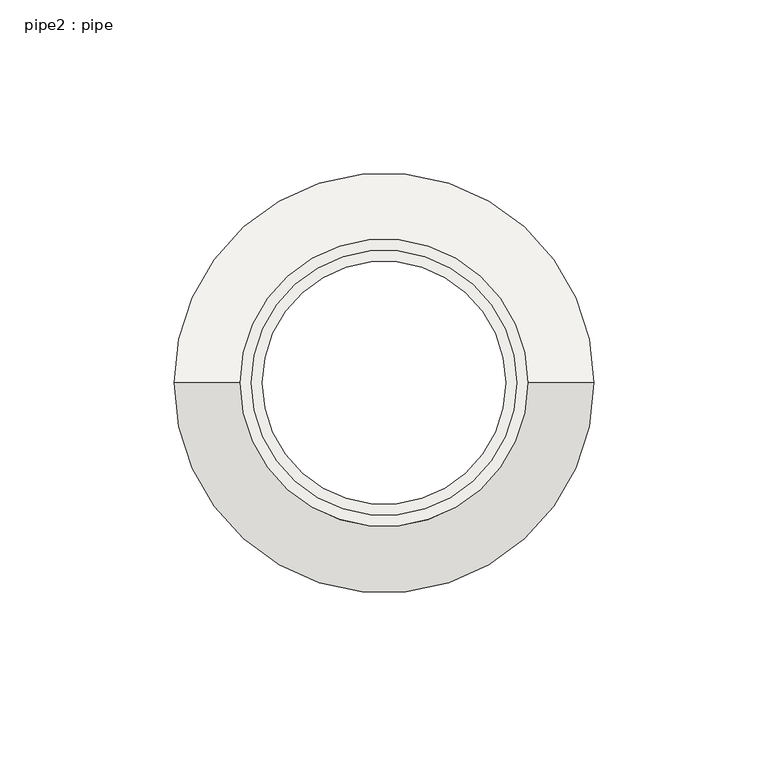
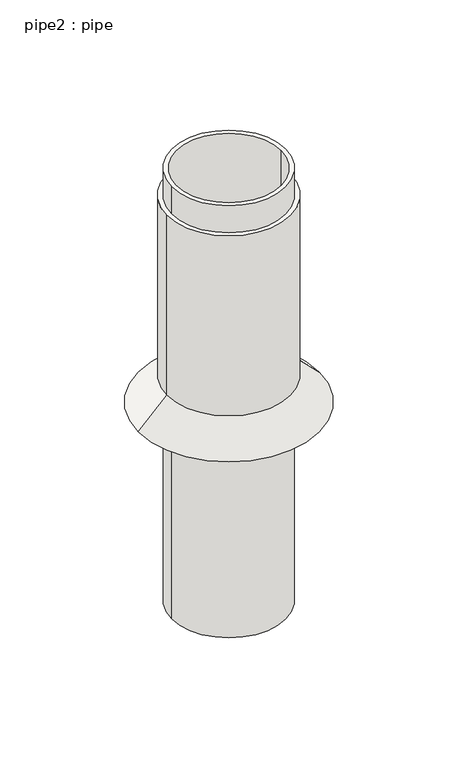
"""IFC4 building model written with IfcOpenShell, lengths in millimetres: roof geometry, pipe2 : pipe."""

from ifc_helpers import new_model, si_unit, point, frame, frame_2d, origin, place, context, project, spatial, polyline, circle_curve, trimmed, segment, composite_curve, outline, extrude, source, transform, mapped, element, save
from ifc_brep_helpers import plane_surface, revolved_surface, advanced_brep


def pipe2_pipe_a08bb628(model_context):
    return source(origin(), model_context, "Body", "SolidModel", [
        advanced_brep(
        [(-1649.8743354, -8575.5500464, 6.35), (-1732.4243354, -8575.5500464, 6.35), (-1732.4243354, -8575.5500464, 25.4), (-1649.8743354, -8575.5500464, 25.4), (-1751.4743354, -8575.5500464, 6.35), (-1630.8243354, -8575.5500464, 6.35)],
        [
            (0, 1, circle_curve(frame((-1691.1493354, -8575.5500464, 6.35), z_axis=(0.0, 0.0, -1.0), x_axis=(-1.0, 0.0, 0.0)), 41.275)),
            (1, 2),
            (2, 3, circle_curve(frame((-1691.1493354, -8575.5500464, 25.4), z_axis=(0.0, 0.0, 1.0), x_axis=(-1.0, 0.0, 0.0)), 41.275)),
            (3, 0),
            (2, 4),
            (4, 5, circle_curve(frame((-1691.1493354, -8575.5500464, 6.35), z_axis=(0.0, 0.0, 1.0), x_axis=(-1.0, 0.0, 0.0)), 60.325)),
            (5, 3),
            (1, 0, circle_curve(frame((-1691.1493354, -8575.5500464, 6.35), z_axis=(0.0, 0.0, -1.0), x_axis=(1.0, 0.0, 0.0)), 41.275)),
            (3, 2, circle_curve(frame((-1691.1493354, -8575.5500464, 25.4), z_axis=(0.0, 0.0, 1.0), x_axis=(1.0, 0.0, 0.0)), 41.275)),
            (4, 5, circle_curve(frame((-1691.1493354, -8575.5500464, 6.35), z_axis=(0.0, 0.0, -1.0), x_axis=(1.0, 0.0, 0.0)), 60.325)),
        ],
        [
            revolved_surface(polyline([(-1732.4243354, -8575.5500464, 25.4), (-1732.4243354, -8575.5500464, 6.35)]), (-1691.1493354, -8575.5500464, 0.0), (0.0, 0.0, 1.0)),
            revolved_surface(polyline([(-1751.4743354, -8575.5500464, 6.35), (-1732.4243354, -8575.5500464, 25.4)]), (-1691.1493354, -8575.5500464, 0.0), (0.0, 0.0, 1.0)),
            revolved_surface(polyline([(-1649.8743353999998, -8575.5500464, 25.4), (-1649.8743353999998, -8575.5500464, 6.35)]), (-1691.1493354, -8575.5500464, 0.0), (0.0, 0.0, 1.0)),
            plane_surface(frame((-1691.1493354, -8575.5500464, 6.35), z_axis=(0.0, 0.0, -1.0), x_axis=(1.0, 0.0, 0.0))),
            revolved_surface(polyline([(-1630.8243354, -8575.5500464, 6.35), (-1649.8743354, -8575.5500464, 25.4)]), (-1691.1493354, -8575.5500464, 0.0), (0.0, 0.0, 1.0)),
        ],
        [
            (0, [[1, 2, 3, 4]]),
            (1, [[-3, 5, 6, 7]]),
            (2, [[8, -4, 9, -2]]),
            (3, [[10, -6], [-8, -1]]),
            (4, [[-9, -7, -10, -5]]),
        ],
    ),
        extrude(outline(composite_curve([segment(trimmed(circle_curve(frame_2d((-1691.1493354, -8575.5500464)), 41.275), [point((-1732.4243354, -8575.5500464))], [point((-1649.8743354, -8575.5500464))], False, "CARTESIAN"), True, "CONTINUOUS"), segment(trimmed(circle_curve(frame_2d((-1691.1493354, -8575.5500464)), 41.275), [point((-1649.8743354, -8575.5500464))], [point((-1732.4243354, -8575.5500464))], False, "CARTESIAN"), True, "CONTINUOUS")], self_intersect=False), holes=[composite_curve([segment(trimmed(circle_curve(frame_2d((-1691.1493354, -8575.5500464)), 38.1), [point((-1653.0493354, -8575.5500464))], [point((-1729.2493354, -8575.5500464))], True, "CARTESIAN"), True, "CONTINUOUS"), segment(trimmed(circle_curve(frame_2d((-1691.1493354, -8575.5500464)), 38.1), [point((-1729.2493354, -8575.5500464))], [point((-1653.0493354, -8575.5500464))], True, "CARTESIAN"), True, "CONTINUOUS")], self_intersect=False)]), frame((0.0, 0.0, 6.35), z_axis=(0.0, 0.0, 1.0), x_axis=(1.0, 0.0, 0.0)), (0.0, 0.0, 1.0), 146.05),
        extrude(outline(composite_curve([segment(trimmed(circle_curve(frame_2d((-1691.1493354, -8575.5500464)), 38.1), [point((-1729.2493354, -8575.5500464))], [point((-1653.0493354, -8575.5500464))], False, "CARTESIAN"), True, "CONTINUOUS"), segment(trimmed(circle_curve(frame_2d((-1691.1493354, -8575.5500464)), 38.1), [point((-1653.0493354, -8575.5500464))], [point((-1729.2493354, -8575.5500464))], False, "CARTESIAN"), True, "CONTINUOUS")], self_intersect=False), holes=[composite_curve([segment(trimmed(circle_curve(frame_2d((-1691.1493354, -8575.5500464)), 34.925), [point((-1656.2243354, -8575.5500464))], [point((-1726.0743354, -8575.5500464))], True, "CARTESIAN"), True, "CONTINUOUS"), segment(trimmed(circle_curve(frame_2d((-1691.1493354, -8575.5500464)), 34.925), [point((-1726.0743354, -8575.5500464))], [point((-1656.2243354, -8575.5500464))], True, "CARTESIAN"), True, "CONTINUOUS")], self_intersect=False)]), frame((0.0, 0.0, -133.35), z_axis=(0.0, 0.0, 1.0), x_axis=(1.0, 0.0, 0.0)), (0.0, 0.0, 1.0), 304.8),
    ])


if __name__ == "__main__":
    model = new_model("IFC4")
    model_context = context("Model", 3, world=origin())
    ifc_project = project(units=[si_unit("LENGTHUNIT", "METRE", prefix="MILLI")], contexts=[model_context])
    site = spatial("IfcSite", under=ifc_project)
    building = spatial("IfcBuilding", under=site)
    placement = place(None, origin())
    pipe2_pipe_shape = pipe2_pipe_a08bb628(model_context)
    element("IfcRoof", 1, ObjectType="pipe2 : pipe", at=placement, inside=building, context=model_context, shape_type="MappedRepresentation", body=[
        mapped(pipe2_pipe_shape, transform((0.0, 0.0, 0.0), x_axis=(1.0, 0.0, 0.0), y_axis=(0.0, 1.0, 0.0), z_axis=(0.0, 0.0, 1.0))),
    ])
    save(model, "model.ifc")
